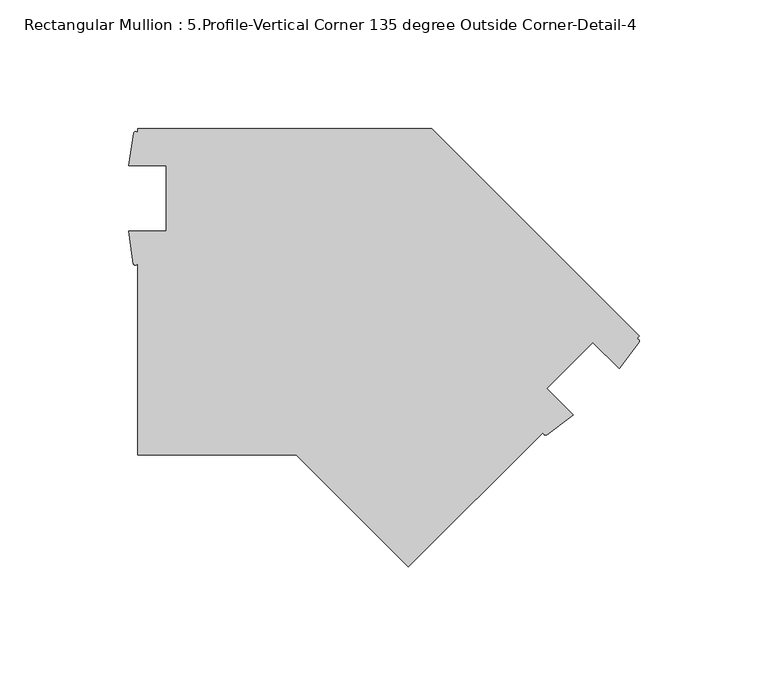
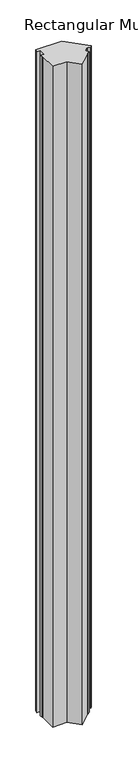
"""IFC4 building model written with IfcOpenShell, lengths in millimetres: member geometry, Rectangular Mullion : 5.Profile-Vertical Corner 135 degree Outside Corner-Detail-4."""

from ifc_helpers import new_model, si_unit, point, frame, frame_2d, origin, place, context, project, spatial, polyline, circle_curve, trimmed, segment, composite_curve, outline, extrude, source, transform, mapped, element, save


def rectangular_mullion_5_profile_vertical_corner_135_degree_0715fd40(model_context):
    return source(origin(), model_context, "Body", "SweptSolid", [
        extrude(outline(composite_curve([segment(polyline([(-80.8223051, 0.0), (0.0, -80.8223051), (-1.2248769, -82.047182)]), True, "CONTINUOUS"), segment(trimmed(circle_curve(frame_2d((-0.8577305, -82.8014336)), 0.8388635), [point((-1.2248769, -82.047182))], [point((-0.1034789, -83.1685799))], False, "CARTESIAN"), True, "CONTINUOUS"), segment(polyline([(-0.1034789, -83.1685799), (-7.8542063, -93.4791806), (-18.113265, -83.2201219), (-36.0737772, -101.1806341), (-25.7273754, -111.5270359), (-36.0717608, -119.246475)]), True, "CONTINUOUS"), segment(trimmed(circle_curve(frame_2d((-36.4319283, -118.4304379)), 0.8919849), [point((-36.0717608, -119.246475))], [point((-37.2479654, -118.0702705))], False, "CARTESIAN"), True, "CONTINUOUS"), segment(polyline([(-37.2479654, -118.0702705), (-89.8025612, -170.6248663), (-133.4274275, -127.0), (-195.1223049, -127.0), (-195.1223049, -52.6765778)]), True, "CONTINUOUS"), segment(trimmed(circle_curve(frame_2d((-195.9540071, -52.174488)), 0.9715054), [point((-195.1223049, -52.6765778))], [point((-196.7857093, -52.6765778))], False, "CARTESIAN"), True, "CONTINUOUS"), segment(polyline([(-196.7857093, -52.6765778), (-198.6418267, -39.903525), (-184.0098049, -39.903525), (-184.0098049, -14.503525), (-198.5183049, -14.503525), (-196.7082012, -1.7322375)]), True, "CONTINUOUS"), segment(trimmed(circle_curve(frame_2d((-195.9152531, -2.1617281)), 0.9017921), [point((-196.7082012, -1.7322375))], [point((-195.1223049, -1.7322375))], False, "CARTESIAN"), True, "CONTINUOUS"), segment(polyline([(-195.1223049, -1.7322375), (-195.1223049, 0.0), (-80.8223051, 0.0)]), True, "CONTINUOUS")], self_intersect=False)), frame((0.0, 0.0, -3048.0), z_axis=(0.0, 0.0, 1.0), x_axis=(1.0, 0.0, 0.0)), (0.0, 0.0, 1.0), 3048.0),
    ])


if __name__ == "__main__":
    model = new_model("IFC4")
    model_context = context("Model", 3, world=origin())
    ifc_project = project(units=[si_unit("LENGTHUNIT", "METRE", prefix="MILLI")], contexts=[model_context])
    site = spatial("IfcSite", under=ifc_project)
    building = spatial("IfcBuilding", under=site)
    placement = place(None, origin())
    rectangular_mullion_5_profile_vertical_corner_135_degree_shape = rectangular_mullion_5_profile_vertical_corner_135_degree_0715fd40(model_context)
    element("IfcMember", 1, ObjectType="Rectangular Mullion : 5.Profile-Vertical Corner 135 degree Outside Corner-Detail-4", at=placement, inside=building, context=model_context, shape_type="MappedRepresentation", body=[
        mapped(rectangular_mullion_5_profile_vertical_corner_135_degree_shape, transform((0.0, 0.0, 0.0), x_axis=(1.0, 0.0, 0.0), y_axis=(0.0, 1.0, 0.0), z_axis=(0.0, 0.0, 1.0))),
    ])
    save(model, "model.ifc")
